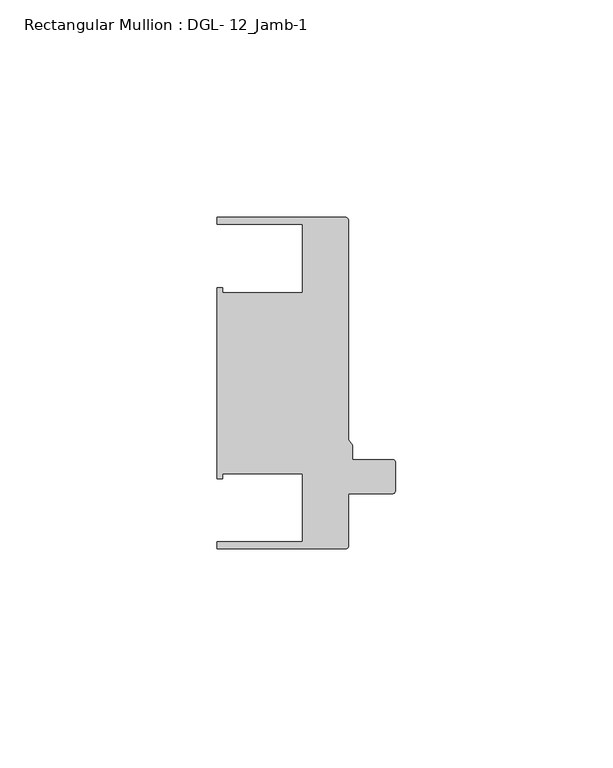
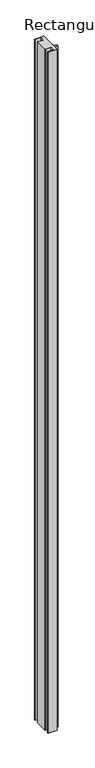
"""IFC4 building model written with IfcOpenShell, lengths in millimetres: member geometry, Rectangular Mullion : DGL- 12_Jamb-1."""

from ifc_helpers import new_model, si_unit, point, frame, frame_2d, origin, place, context, project, spatial, polyline, circle_curve, trimmed, segment, composite_curve, outline, extrude, source, transform, mapped, element, save


def rectangular_mullion_dgl_12_jamb_1_4dd242e4(model_context):
    return source(origin(), model_context, "Body", "SweptSolid", [
        extrude(outline(composite_curve([segment(polyline([(-1.718668, -25.4), (-1.718668, -37.5047035)]), True, "CONTINUOUS"), segment(trimmed(circle_curve(frame_2d((-2.3139805, -37.5047035)), 0.5953125), [point((-1.718668, -37.5047035))], [point((-2.3139805, -38.100016))], False, "CARTESIAN"), True, "CONTINUOUS"), segment(polyline([(-2.3139805, -38.100016), (-31.8684663, -38.100016), (-31.8684663, -36.512516), (-12.2156802, -36.512516), (-12.2156802, -20.8257348), (-30.6216313, -20.8257348), (-30.6216313, -21.9710976), (-31.8775606, -21.9710976), (-31.8775606, 21.9710976), (-30.6216313, 21.9710976), (-30.6216313, 20.8257348), (-12.2156802, 20.8257348), (-12.2156802, 36.512516), (-31.8684663, 36.512516), (-31.8684663, 38.0996792), (-2.3138963, 38.0996792)]), True, "CONTINUOUS"), segment(trimmed(circle_curve(frame_2d((-2.3138963, 37.5043667)), 0.5953125), [point((-2.3138963, 38.0996792))], [point((-1.7185838, 37.5043667))], False, "CARTESIAN"), True, "CONTINUOUS"), segment(polyline([(-1.7185838, 37.5043667), (-1.7185838, -12.9738568), (-0.79375, -14.2467814), (-0.79375, -17.5955253), (8.5512549, -17.5955253)]), True, "CONTINUOUS"), segment(trimmed(circle_curve(frame_2d((8.5512549, -18.1560373)), 0.560512), [point((8.5512549, -17.5955253))], [point((9.1117669, -18.1560373))], False, "CARTESIAN"), True, "CONTINUOUS"), segment(polyline([(9.1117669, -18.1560373), (9.1117669, -24.8046875)]), True, "CONTINUOUS"), segment(trimmed(circle_curve(frame_2d((8.5164544, -24.8046875)), 0.5953125), [point((9.1117669, -24.8046875))], [point((8.5164544, -25.4))], False, "CARTESIAN"), True, "CONTINUOUS"), segment(polyline([(8.5164544, -25.4), (-1.718668, -25.4)]), True, "CONTINUOUS")], self_intersect=False)), frame((0.0, 0.0, -2386.0051878), z_axis=(0.0, 0.0, 1.0), x_axis=(1.0, 0.0, 0.0)), (0.0, 0.0, 1.0), 2386.0051878),
    ])


if __name__ == "__main__":
    model = new_model("IFC4")
    model_context = context("Model", 3, world=origin())
    ifc_project = project(units=[si_unit("LENGTHUNIT", "METRE", prefix="MILLI")], contexts=[model_context])
    site = spatial("IfcSite", under=ifc_project)
    building = spatial("IfcBuilding", under=site)
    placement = place(None, origin())
    rectangular_mullion_dgl_12_jamb_1_shape = rectangular_mullion_dgl_12_jamb_1_4dd242e4(model_context)
    element("IfcMember", 1, ObjectType="Rectangular Mullion : DGL- 12_Jamb-1", at=placement, inside=building, context=model_context, shape_type="MappedRepresentation", body=[
        mapped(rectangular_mullion_dgl_12_jamb_1_shape, transform((0.0, 0.0, 0.0), x_axis=(1.0, 0.0, 0.0), y_axis=(0.0, 1.0, 0.0), z_axis=(0.0, 0.0, 1.0))),
    ])
    save(model, "model.ifc")
